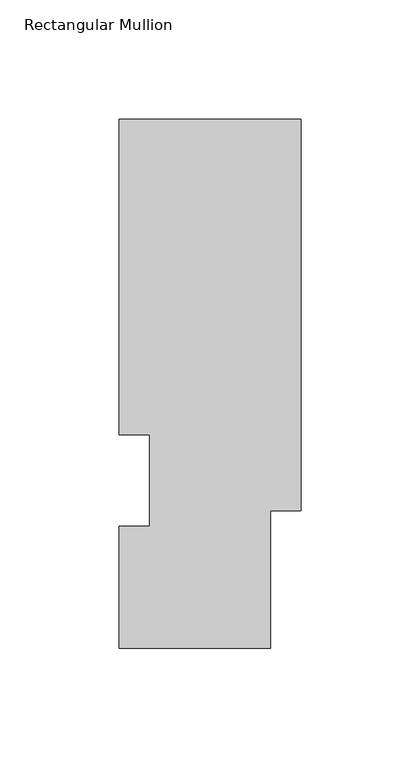
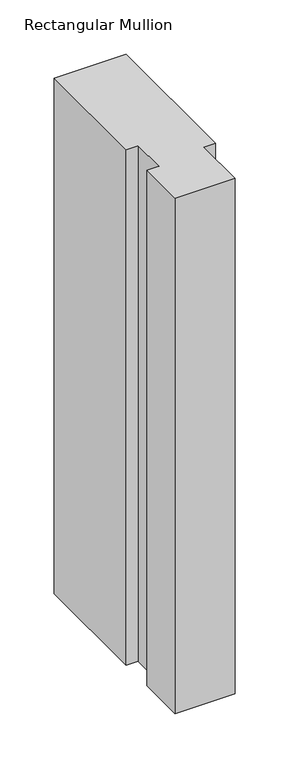
"""IFC4 building model written with IfcOpenShell, lengths in millimetres: member geometry, Rectangular Mullion."""

import ifcopenshell
import ifcopenshell.guid

model = None  # the IFC model being written
_history = None  # IfcOwnerHistory: only IFC2X3 demands one
_inside = {}  # id of a spatial element -> (the spatial element, [elements in it])
_under = {}  # id of a project, library or spatial element -> (it, [spatial elements below it])
_declared = {}  # id of a project -> (the project, [libraries it declares])
_typed = {}  # id of a type object -> (the type object, [elements of that type])
_made_of = {}  # id of a material, layer set ... -> (it, [elements and type objects made of it])


def new_model(schema):
    """Start an empty IFC model of exactly this schema.

    Asked for "IFC4X3", IfcOpenShell would pick the latest addendum, in which some entities
    have other attributes; the version numbers below select the first issue.
    IFC2X3 requires an IfcOwnerHistory on every rooted entity: one is made here for all.
    """
    global model, _history
    if schema == "IFC4X3":
        model = ifcopenshell.file(schema_version=(4, 3, 0, 0))
    else:
        model = ifcopenshell.file(schema=schema)
    _inside.clear()
    _under.clear()
    _declared.clear()
    _typed.clear()
    _made_of.clear()
    _history = None
    if model.schema == "IFC2X3":
        org = make("IfcOrganization", Name="unknown")
        user = make(
            "IfcPersonAndOrganization",
            ThePerson=make("IfcPerson", FamilyName="unknown"),
            TheOrganization=org,
        )
        app = make(
            "IfcApplication",
            ApplicationDeveloper=org,
            Version="unknown",
            ApplicationFullName="unknown",
            ApplicationIdentifier="unknown",
        )
        _history = make(
            "IfcOwnerHistory",
            OwningUser=user,
            OwningApplication=app,
            ChangeAction="ADDED",
            CreationDate=0,
        )
    return model


def make(cls, **values):
    """One entity of the class cls with the attributes given. An attribute that is None is left unset."""
    return model.create_entity(
        cls, **{name: value for name, value in values.items() if value is not None}
    )


def rooted(cls, **values):
    """An entity with a GlobalId (a new one), such as an element, a storey or a relation."""
    return make(cls, GlobalId=ifcopenshell.guid.new(), OwnerHistory=_history, **values)


def si_unit(unit_type, name, prefix=None):
    """IfcSIUnit, for example si_unit("LENGTHUNIT", "METRE", prefix="MILLI")."""
    return make("IfcSIUnit", UnitType=unit_type, Prefix=prefix, Name=name)


def assignment(units):
    """IfcUnitAssignment: the units of a project."""
    return None if units is None else make("IfcUnitAssignment", Units=units)


def point(xyz):
    """IfcCartesianPoint."""
    return None if xyz is None else make("IfcCartesianPoint", Coordinates=xyz)


def direction(xyz):
    """IfcDirection."""
    return None if xyz is None else make("IfcDirection", DirectionRatios=xyz)


def frame(location, z_axis=None, x_axis=None):
    """IfcAxis2Placement3D, a coordinate frame: its origin and axes. An axis left out is left unset."""
    return make(
        "IfcAxis2Placement3D",
        Location=point(location),
        Axis=direction(z_axis),
        RefDirection=direction(x_axis),
    )


def origin():
    """The frame at (0, 0, 0) with its axes left unset."""
    return frame((0.0, 0.0, 0.0))


def place(relative_to, where):
    """IfcLocalPlacement: puts the frame where relative to a parent placement (None: the world)."""
    return make(
        "IfcLocalPlacement", PlacementRelTo=relative_to, RelativePlacement=where
    )


def context(
    kind, dimensions, precision=None, world=None, true_north=None, identifier=None
):
    """IfcGeometricRepresentationContext, for example the 3D "Model" context."""
    return make(
        "IfcGeometricRepresentationContext",
        ContextIdentifier=identifier,
        ContextType=kind,
        CoordinateSpaceDimension=dimensions,
        Precision=precision,
        WorldCoordinateSystem=world,
        TrueNorth=true_north,
    )


def project(units=None, contexts=None):
    """IfcProject with its units and contexts."""
    return rooted(
        "IfcProject",
        Name="project",
        RepresentationContexts=contexts,
        UnitsInContext=assignment(units),
    )


def spatial(cls, under=None, at=None, **own):
    """A site, building, storey or space (cls), placed at a placement, below another one or the project."""
    s = rooted(cls, ObjectPlacement=at, **own)
    if under is not None:
        _under.setdefault(under.id(), (under, []))[1].append(s)
    return s


def polyline(points):
    """IfcPolyline through the points."""
    return make("IfcPolyline", Points=[point(p) for p in points])


def outline(outer, holes=None, kind="AREA"):
    """IfcArbitraryClosedProfileDef: a profile drawn as a closed curve; with holes, ...WithVoids."""
    if holes is None:
        return make("IfcArbitraryClosedProfileDef", ProfileType=kind, OuterCurve=outer)
    return make(
        "IfcArbitraryProfileDefWithVoids",
        ProfileType=kind,
        OuterCurve=outer,
        InnerCurves=holes,
    )


def extrude(swept, where, along, depth):
    """IfcExtrudedAreaSolid: the profile swept, set in the frame where, extruded along a direction by depth."""
    return make(
        "IfcExtrudedAreaSolid",
        SweptArea=swept,
        Position=where,
        ExtrudedDirection=direction(along),
        Depth=depth,
    )


def shape(context_of_items, identifier, shape_type, items):
    """IfcShapeRepresentation: the items that make up one representation, for example the "Body"."""
    return make(
        "IfcShapeRepresentation",
        ContextOfItems=context_of_items,
        RepresentationIdentifier=identifier,
        RepresentationType=shape_type,
        Items=items,
    )


def source(mapping_origin, context_of_items, identifier, shape_type, items):
    """IfcRepresentationMap: a shape defined once, which mapped items show again and again."""
    return make(
        "IfcRepresentationMap",
        MappingOrigin=mapping_origin,
        MappedRepresentation=shape(context_of_items, identifier, shape_type, items),
    )


def transform(
    local_origin,
    x_axis=None,
    y_axis=None,
    z_axis=None,
    scale=None,
    scale2=None,
    scale3=None,
    uniform=True,
):
    """IfcCartesianTransformationOperator3D, or its non-uniform kind. x_axis, y_axis, z_axis: its Axis1, 2, 3."""
    if uniform:
        return make(
            "IfcCartesianTransformationOperator3D",
            Axis1=direction(x_axis),
            Axis2=direction(y_axis),
            LocalOrigin=point(local_origin),
            Scale=scale,
            Axis3=direction(z_axis),
        )
    return make(
        "IfcCartesianTransformationOperator3DnonUniform",
        Axis1=direction(x_axis),
        Axis2=direction(y_axis),
        LocalOrigin=point(local_origin),
        Scale=scale,
        Axis3=direction(z_axis),
        Scale2=scale2,
        Scale3=scale3,
    )


def mapped(mapping_source, mapping_target):
    """IfcMappedItem: shows the shape of a source again, moved by a transform."""
    return make(
        "IfcMappedItem", MappingSource=mapping_source, MappingTarget=mapping_target
    )


def made_of(thing, what):
    """Note that an element or type object is made of a material, layer set ...; save() writes the relation."""
    if what is not None:
        _made_of.setdefault(what.id(), (what, []))[1].append(thing)
    return thing


def element(
    cls,
    number,
    at=None,
    inside=None,
    cuts=None,
    type_object=None,
    material=None,
    context=None,
    identifier="Body",
    shape_type=None,
    held_by="IfcProductDefinitionShape",
    body=None,
    shapes=None,
    **own,
):
    """One element of the class cls, such as IfcWall. Its Tag is "e" and its number.

    at: its placement. inside: the storey or other place that contains it. cuts: it is an
    opening in that element (IfcRelVoidsElement). A single representation is given by context,
    identifier, shape_type and body (its items); several are given by shapes. held_by: the class
    of the entity that holds the representations. save() writes the other relations.
    """
    e = rooted(cls, Tag="e%d" % number, ObjectPlacement=at, **own)
    if body is not None:
        shapes = [shape(context, identifier, shape_type, body)]
    if shapes is not None:
        e.Representation = make(held_by, Representations=shapes)
    if inside is not None:
        _inside.setdefault(inside.id(), (inside, []))[1].append(e)
    if cuts is not None:
        rooted(
            "IfcRelVoidsElement", RelatingBuildingElement=cuts, RelatedOpeningElement=e
        )
    if type_object is not None:
        _typed.setdefault(type_object.id(), (type_object, []))[1].append(e)
    return made_of(e, material)


def aggregate(whole, parts):
    """IfcRelAggregates: a whole, such as a stair, and the parts it consists of."""
    return rooted("IfcRelAggregates", RelatingObject=whole, RelatedObjects=parts)


def save(model, path):
    """Write the relations noted so far, then the file.

    IfcRelAggregates (storeys below a building ...), IfcRelContainedInSpatialStructure (elements
    in a storey), IfcRelDefinesByType, IfcRelAssociatesMaterial and IfcRelDeclares: one each for
    every whole, place, type object, material and project.
    """
    for whole, parts in _under.values():
        aggregate(whole, parts)
    for where, things in _inside.values():
        rooted(
            "IfcRelContainedInSpatialStructure",
            RelatedElements=things,
            RelatingStructure=where,
        )
    for kind, things in _typed.values():
        rooted("IfcRelDefinesByType", RelatedObjects=things, RelatingType=kind)
    for what, things in _made_of.values():
        rooted("IfcRelAssociatesMaterial", RelatedObjects=things, RelatingMaterial=what)
    for by, libraries in _declared.values():
        rooted("IfcRelDeclares", RelatingContext=by, RelatedDefinitions=libraries)
    model.write(path)


def rectangular_mullion_3eaf4ef7(model_context):
    return source(origin(), model_context, "Body", "SweptSolid", [
        extrude(outline(polyline([(0.0, 221.8631896), (0.0, 57.7537892), (-12.7000001, 57.7537892), (-12.7000001, 0.1211892), (-76.2000001, 0.1211892), (-76.2000001, 51.4037892), (-63.5126996, 51.4037892), (-63.5126996, 89.5945313), (-76.2000001, 89.5945313), (-76.2000001, 221.8631896), (0.0, 221.8631896)])), frame((0.0, 0.0, -577.8499998), z_axis=(0.0, 0.0, 1.0), x_axis=(1.0, 0.0, 0.0)), (0.0, 0.0, 1.0), 577.8499998),
    ])


if __name__ == "__main__":
    model = new_model("IFC4")
    model_context = context("Model", 3, world=origin())
    ifc_project = project(units=[si_unit("LENGTHUNIT", "METRE", prefix="MILLI")], contexts=[model_context])
    site = spatial("IfcSite", under=ifc_project)
    building = spatial("IfcBuilding", under=site)
    placement = place(None, origin())
    rectangular_mullion_shape = rectangular_mullion_3eaf4ef7(model_context)
    element("IfcMember", 1, ObjectType="Rectangular Mullion", at=placement, inside=building, context=model_context, shape_type="MappedRepresentation", body=[
        mapped(rectangular_mullion_shape, transform((0.0, 0.0, 0.0), x_axis=(1.0, 0.0, 0.0), y_axis=(0.0, 1.0, 0.0), z_axis=(0.0, 0.0, 1.0))),
    ])
    save(model, "model.ifc")
